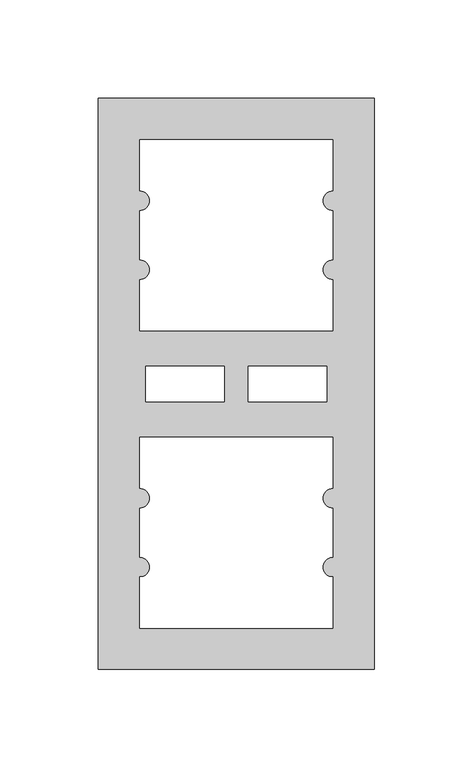
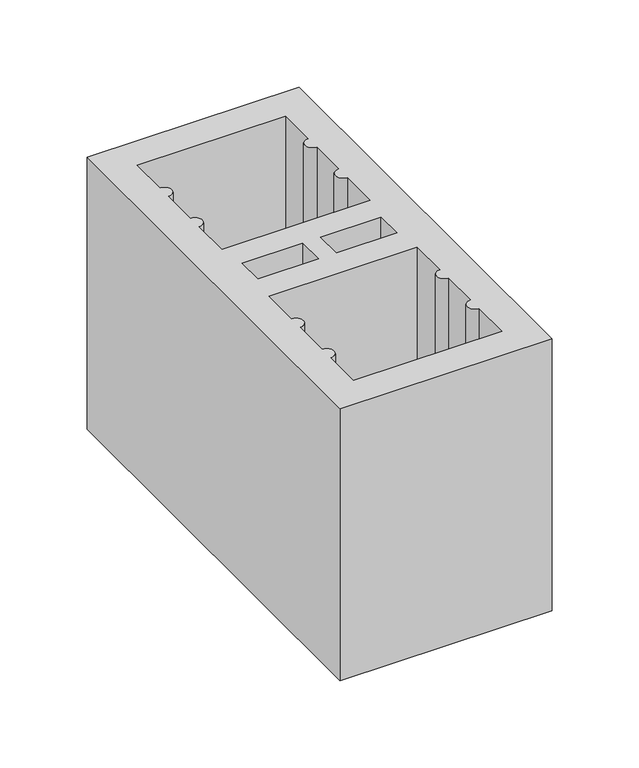
"""IFC4 building model written with IfcOpenShell, lengths in millimetres: proxy geometry."""

from ifc_helpers import new_model, si_unit, point, frame_2d, origin, origin_with_axes, place, context, project, spatial, polyline, circle_curve, trimmed, segment, composite_curve, outline, extrude, source, transform, mapped, element, save


def generic_models_84d4c28d(model_context):
    return source(origin(), model_context, "Body", "SweptSolid", [
        extrude(outline(polyline([(140.0, 0.0), (0.0, 0.0), (0.0, 290.0), (140.0, 290.0), (140.0, 0.0)]), holes=[composite_curve([segment(polyline([(21.0, 269.0), (21.0, 243.0)]), True, "CONTINUOUS"), segment(trimmed(circle_curve(frame_2d((21.0, 238.0)), 5.0), [point((21.0, 243.0))], [point((21.0, 233.0))], False, "CARTESIAN"), True, "CONTINUOUS"), segment(polyline([(21.0, 233.0), (21.0, 208.0)]), True, "CONTINUOUS"), segment(trimmed(circle_curve(frame_2d((21.0, 203.0)), 5.0), [point((21.0, 208.0))], [point((21.0, 198.0))], False, "CARTESIAN"), True, "CONTINUOUS"), segment(polyline([(21.0, 198.0), (21.0, 172.0), (119.0, 172.0), (119.0, 198.0)]), True, "CONTINUOUS"), segment(trimmed(circle_curve(frame_2d((119.0, 203.0)), 5.0), [point((119.0, 198.0))], [point((119.0, 208.0))], False, "CARTESIAN"), True, "CONTINUOUS"), segment(polyline([(119.0, 208.0), (119.0, 233.0)]), True, "CONTINUOUS"), segment(trimmed(circle_curve(frame_2d((119.0, 238.0)), 5.0), [point((119.0, 233.0))], [point((119.0, 243.0))], False, "CARTESIAN"), True, "CONTINUOUS"), segment(polyline([(119.0, 243.0), (119.0, 269.0), (21.0, 269.0)]), True, "CONTINUOUS")], self_intersect=False), polyline([(24.0, 154.0), (24.0, 136.0), (64.0, 136.0), (64.0, 154.0), (24.0, 154.0)]), polyline([(116.0, 154.0), (76.0, 154.0), (76.0, 136.0), (116.0, 136.0), (116.0, 154.0)]), composite_curve([segment(polyline([(21.0, 21.0), (119.0, 21.0), (119.0, 47.0)]), True, "CONTINUOUS"), segment(trimmed(circle_curve(frame_2d((119.0, 52.0)), 5.0), [point((119.0, 47.0))], [point((119.0, 57.0))], False, "CARTESIAN"), True, "CONTINUOUS"), segment(polyline([(119.0, 57.0), (119.0, 82.0)]), True, "CONTINUOUS"), segment(trimmed(circle_curve(frame_2d((119.0, 87.0)), 5.0), [point((119.0, 82.0))], [point((119.0, 92.0))], False, "CARTESIAN"), True, "CONTINUOUS"), segment(polyline([(119.0, 92.0), (119.0, 118.0), (21.0, 118.0), (21.0, 92.0)]), True, "CONTINUOUS"), segment(trimmed(circle_curve(frame_2d((21.0, 87.0)), 5.0), [point((21.0, 92.0))], [point((21.0, 82.0))], False, "CARTESIAN"), True, "CONTINUOUS"), segment(polyline([(21.0, 82.0), (21.0, 57.0)]), True, "CONTINUOUS"), segment(trimmed(circle_curve(frame_2d((21.0, 52.0)), 5.0), [point((21.0, 57.0))], [point((21.0, 47.0))], False, "CARTESIAN"), True, "CONTINUOUS"), segment(polyline([(21.0, 47.0), (21.0, 21.0)]), True, "CONTINUOUS")], self_intersect=False)]), origin_with_axes(), (0.0, 0.0, 1.0), 190.0),
    ])


if __name__ == "__main__":
    model = new_model("IFC4")
    model_context = context("Model", 3, world=origin())
    ifc_project = project(units=[si_unit("LENGTHUNIT", "METRE", prefix="MILLI")], contexts=[model_context])
    site = spatial("IfcSite", under=ifc_project)
    building = spatial("IfcBuilding", under=site)
    placement = place(None, origin())
    generic_models_shape = generic_models_84d4c28d(model_context)
    element("IfcBuildingElementProxy", 1, Name="Generic Models", at=placement, inside=building, context=model_context, shape_type="MappedRepresentation", body=[
        mapped(generic_models_shape, transform((0.0, 0.0, 0.0), x_axis=(1.0, 0.0, 0.0), y_axis=(0.0, 1.0, 0.0), z_axis=(0.0, 0.0, 1.0))),
    ])
    save(model, "model.ifc")
